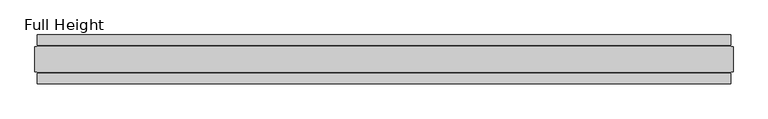
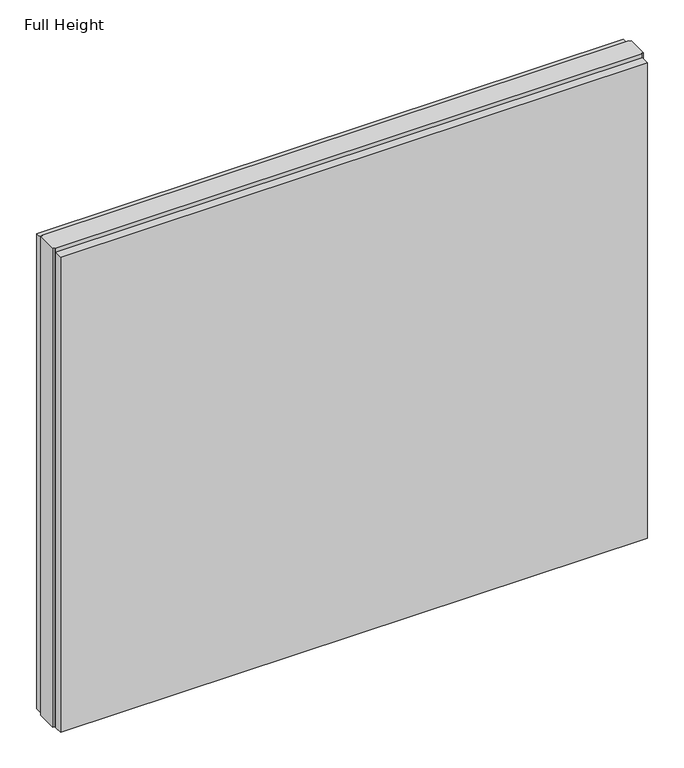
"""IFC4 building model written with IfcOpenShell, lengths in millimetres: plate geometry, Full Height."""

from ifc_helpers import new_model, si_unit, origin, origin_with_axes, place, context, project, spatial, polyline, outline, extrude, source, transform, mapped, element, save


def full_height_412daa6e(model_context):
    return source(origin(), model_context, "Body", "SweptSolid", [
        extrude(outline(polyline([(706.628, 28.956), (-706.628, 28.956), (-706.628, 49.53), (706.628, 49.53), (706.628, 28.956)])), origin_with_axes(), (0.0, 0.0, 1.0), 1210.056),
        extrude(outline(polyline([(706.628, -28.956), (706.628, -49.53), (-706.628, -49.53), (-706.628, -28.956), (706.628, -28.956)])), origin_with_axes(), (0.0, 0.0, 1.0), 1210.056),
        extrude(outline(polyline([(706.628, -25.146), (706.628, -26.67), (-706.628, -26.67), (-706.628, -25.146), (-711.2, -25.146), (-711.2, 25.146), (-706.628, 25.146), (-706.628, 26.67), (706.628, 26.67), (706.628, 25.146), (711.2, 25.146), (711.2, -25.146), (706.628, -25.146)])), origin_with_axes(), (0.0, 0.0, 1.0), 1219.2),
    ])


if __name__ == "__main__":
    model = new_model("IFC4")
    model_context = context("Model", 3, world=origin())
    ifc_project = project(units=[si_unit("LENGTHUNIT", "METRE", prefix="MILLI")], contexts=[model_context])
    site = spatial("IfcSite", under=ifc_project)
    building = spatial("IfcBuilding", under=site)
    placement = place(None, origin())
    full_height_shape = full_height_412daa6e(model_context)
    element("IfcPlate", 1, ObjectType="Full Height", at=placement, inside=building, context=model_context, shape_type="MappedRepresentation", body=[
        mapped(full_height_shape, transform((0.0, 0.0, 0.0), x_axis=(1.0, 0.0, 0.0), y_axis=(0.0, 1.0, 0.0), z_axis=(0.0, 0.0, 1.0))),
    ])
    save(model, "model.ifc")
